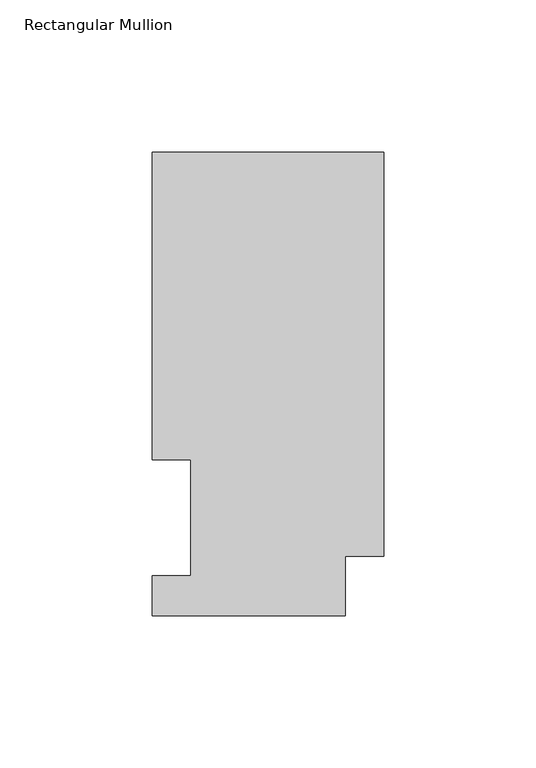
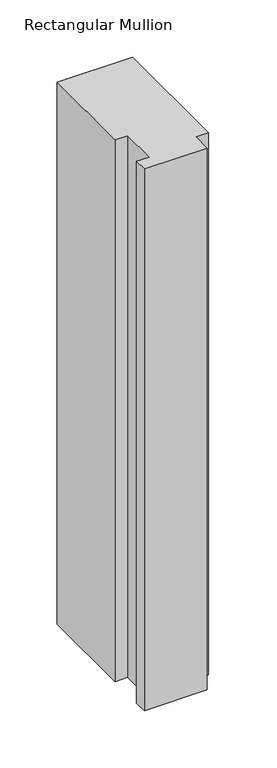
"""IFC4 building model written with IfcOpenShell, lengths in millimetres: member geometry, Rectangular Mullion."""

from ifc_helpers import new_model, si_unit, frame, origin, place, context, project, spatial, polyline, outline, extrude, source, transform, mapped, element, save


def rectangular_mullion_b4e13abc(model_context):
    return source(origin(), model_context, "Body", "SweptSolid", [
        extrude(outline(polyline([(0.0, 190.7881313), (0.0, 57.8445313), (-12.7, 57.8445313), (-12.7, 38.3119313), (-76.2, 38.3119313), (-76.2, 51.4945313), (-63.5127, 51.4945313), (-63.5127, 89.5945313), (-76.2, 89.5945312), (-76.2, 190.7881313), (0.0, 190.7881313)])), frame((0.0, 0.0, -577.8404902), z_axis=(0.0, 0.0, 1.0), x_axis=(1.0, 0.0, 0.0)), (0.0, 0.0, 1.0), 577.8404902),
    ])


if __name__ == "__main__":
    model = new_model("IFC4")
    model_context = context("Model", 3, world=origin())
    ifc_project = project(units=[si_unit("LENGTHUNIT", "METRE", prefix="MILLI")], contexts=[model_context])
    site = spatial("IfcSite", under=ifc_project)
    building = spatial("IfcBuilding", under=site)
    placement = place(None, origin())
    rectangular_mullion_shape = rectangular_mullion_b4e13abc(model_context)
    element("IfcMember", 1, ObjectType="Rectangular Mullion", at=placement, inside=building, context=model_context, shape_type="MappedRepresentation", body=[
        mapped(rectangular_mullion_shape, transform((0.0, 0.0, 0.0), x_axis=(1.0, 0.0, 0.0), y_axis=(0.0, 1.0, 0.0), z_axis=(0.0, 0.0, 1.0))),
    ])
    save(model, "model.ifc")
